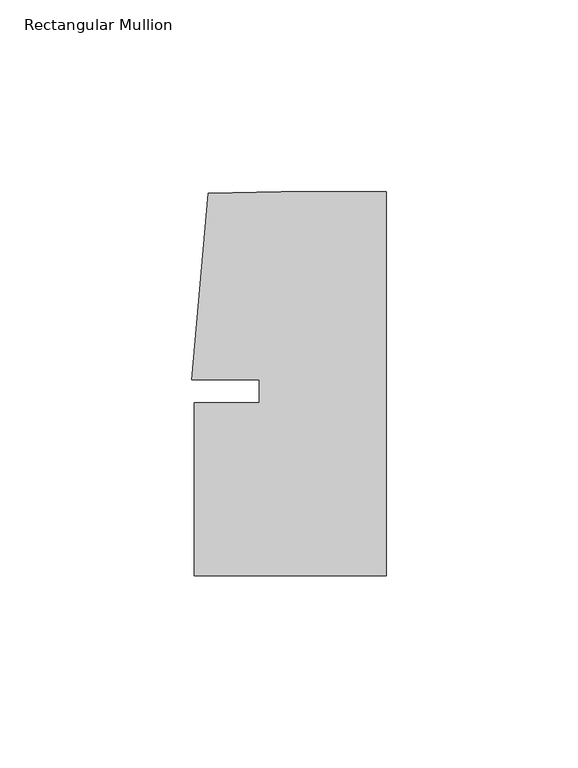
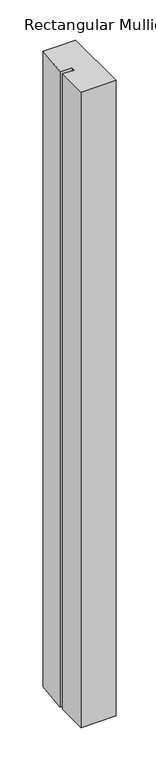
"""IFC4 building model written with IfcOpenShell, lengths in millimetres: member geometry, Rectangular Mullion."""

from ifc_helpers import new_model, si_unit, frame, origin, place, context, project, spatial, polyline, outline, extrude, source, transform, mapped, element, save


def rectangular_mullion_8ca4726a(model_context):
    return source(origin(), model_context, "Body", "SweptSolid", [
        extrude(outline(polyline([(-33.0004671, -3.0000287), (-33.0004665, 2.9999885), (-50.6129097, 2.9999903), (-46.3623019, 51.5846059), (-27.2554335, 51.9999707), (0.0, 51.999968), (-9.8e-06, -48.0000271), (-50.0000098, -48.0000271), (-50.0000054, -3.0000271), (-33.0004671, -3.0000287)])), frame((0.0, 0.0, -961.3330107), z_axis=(0.0, 0.0, 1.0), x_axis=(1.0, 0.0, 0.0)), (0.0, 0.0, 1.0), 961.3330107),
    ])


if __name__ == "__main__":
    model = new_model("IFC4")
    model_context = context("Model", 3, world=origin())
    ifc_project = project(units=[si_unit("LENGTHUNIT", "METRE", prefix="MILLI")], contexts=[model_context])
    site = spatial("IfcSite", under=ifc_project)
    building = spatial("IfcBuilding", under=site)
    placement = place(None, origin())
    rectangular_mullion_shape = rectangular_mullion_8ca4726a(model_context)
    element("IfcMember", 1, ObjectType="Rectangular Mullion", at=placement, inside=building, context=model_context, shape_type="MappedRepresentation", body=[
        mapped(rectangular_mullion_shape, transform((0.0, 0.0, 0.0), x_axis=(1.0, 0.0, 0.0), y_axis=(0.0, 1.0, 0.0), z_axis=(0.0, 0.0, 1.0))),
    ])
    save(model, "model.ifc")
